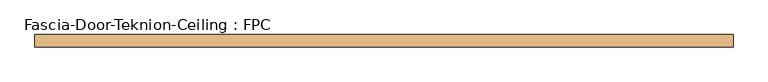
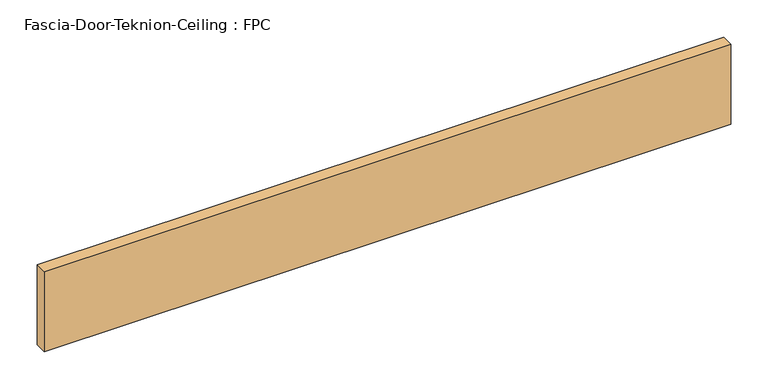
"""IFC4 building model written with IfcOpenShell, lengths in millimetres: door geometry, Fascia-Door-Teknion-Ceiling : FPC."""

from ifc_helpers import new_model, si_unit, origin, origin_with_axes, place, context, project, spatial, polyline, outline, extrude, source, transform, mapped, element, save


def fascia_door_teknion_ceiling_fpc_5a6df3e9(model_context):
    return source(origin(), model_context, "Body", "SweptSolid", [
        extrude(outline(polyline([(534.0201172, 0.0), (534.0201172, -19.05), (-534.0201172, -19.05), (-534.0201172, 0.0), (534.0201172, 0.0)])), origin_with_axes(), (0.0, 0.0, 1.0), 132.08),
    ])


if __name__ == "__main__":
    model = new_model("IFC4")
    model_context = context("Model", 3, world=origin())
    ifc_project = project(units=[si_unit("LENGTHUNIT", "METRE", prefix="MILLI")], contexts=[model_context])
    site = spatial("IfcSite", under=ifc_project)
    building = spatial("IfcBuilding", under=site)
    placement = place(None, origin())
    fascia_door_teknion_ceiling_fpc_shape = fascia_door_teknion_ceiling_fpc_5a6df3e9(model_context)
    element("IfcDoor", 1, ObjectType="Fascia-Door-Teknion-Ceiling : FPC", at=placement, inside=building, context=model_context, shape_type="MappedRepresentation", body=[
        mapped(fascia_door_teknion_ceiling_fpc_shape, transform((0.0, 0.0, 0.0), x_axis=(1.0, 0.0, 0.0), y_axis=(0.0, 1.0, 0.0), z_axis=(0.0, 0.0, 1.0))),
    ])
    save(model, "model.ifc")
